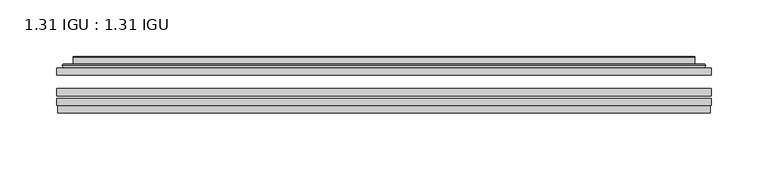
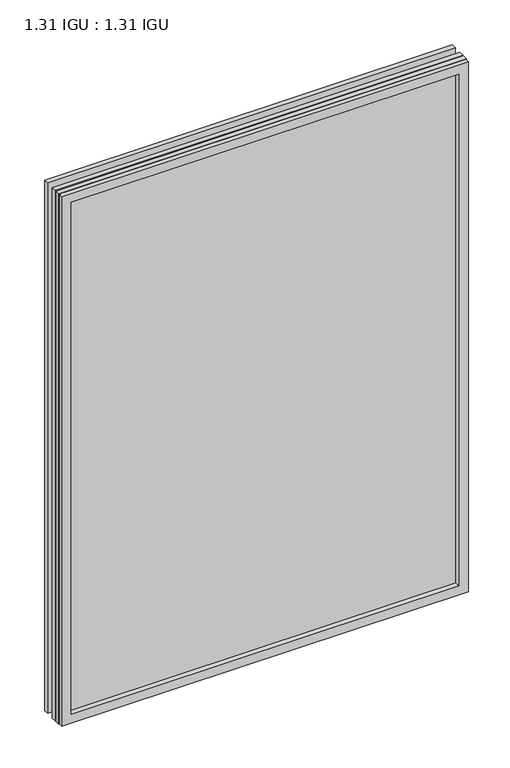
"""IFC4 building model written with IfcOpenShell, lengths in millimetres: plate geometry, 1.31 IGU : 1.31 IGU."""

from ifc_helpers import new_model, si_unit, frame, origin, place, context, project, spatial, polyline, ellipse_curve, outline, extrude, faceted_brep, source, transform, mapped, element, save
from ifc_brep_helpers import plane_surface, cylinder_surface, advanced_brep


def plate_1_31_igu_1_31_igu_ef33cbdf(model_context):
    return source(origin(), model_context, "Body", "SolidModel", [
        extrude(outline(polyline([(287.351675, -63.59525), (287.351675, -69.94525), (-287.3375, -69.94525), (-287.3375, -63.59525), (287.351675, -63.59525)])), frame((0.0, 0.0, -14.2875), z_axis=(0.0, 0.0, 1.0), x_axis=(1.0, 0.0, 0.0)), (0.0, 0.0, 1.0), 790.6015278),
        extrude(outline(polyline([(-287.3375, -78.58125), (-287.3375, -72.230745), (287.351675, -72.230745), (287.351675, -78.58125), (-287.3375, -78.58125)])), frame((0.0, 0.0, -14.2875), z_axis=(0.0, 0.0, 1.0), x_axis=(1.0, 0.0, 0.0)), (0.0, 0.0, 1.0), 790.6015278),
        extrude(outline(polyline([(287.351675, -45.25645), (287.351675, -51.60645), (-287.3375, -51.60645), (-287.3375, -45.25645), (287.351675, -45.25645)])), frame((0.0, 0.0, -14.2875), z_axis=(0.0, 0.0, 1.0), x_axis=(1.0, 0.0, 0.0)), (0.0, 0.0, 1.0), 790.6015278),
        faceted_brep([(-286.6373142, -84.93125, 775.6100441), (-286.6373142, -78.58125, 775.6100441), (-286.6373142, -78.58125, -13.5873142), (-286.6373142, -84.93125, -13.5873142), (286.6373142, -78.58125, -13.5873142), (286.6373142, -84.93125, -13.5873142), (286.6373142, -78.58125, 775.6100441), (286.6373142, -84.93125, 775.6100441), (-272.1522559, -78.58125, 0.8977441), (272.1522559, -78.58125, 0.8977441), (272.1522559, -78.58125, 761.1249858), (-272.1522559, -78.58125, 761.1249858), (-273.0446902, -84.93125, 762.0174201), (273.0446902, -84.93125, 762.0174201), (273.0446902, -84.93125, 0.0053098), (-273.0446902, -84.93125, 0.0053098)], [[[0, 1, 2, 3]], [[3, 2, 4, 5]], [[5, 4, 6, 7]], [[1, 6, 4, 2], [8, 9, 10, 11]], [[7, 6, 1, 0]], [[3, 5, 7, 0], [12, 13, 14, 15]], [[11, 12, 15, 8]], [[8, 15, 14, 9]], [[9, 14, 13, 10]], [[10, 13, 12, 11]]]),
        advanced_brep(
        [(-280.096219, -45.25645, 769.0689489), (-282.4504244, -43.2667833, 771.4231543), (-282.4504244, -43.2667833, -9.4004244), (-280.096219, -45.25645, -7.046219), (-271.0218939, -41.416413, 759.9946238), (-266.0870621, -45.25645, 755.0597919), (-266.0870621, -45.25645, 6.9629379), (-271.0218939, -41.416413, 2.0281061), (-272.0539217, -36.0191819, 761.0266515), (-272.0539217, -36.0191819, 0.9960783), (-273.0445784, -35.6202069, 762.0173083), (-273.0445784, -35.6202069, 0.0054216), (-273.0445784, -42.08145, 762.0173083), (-273.0445784, -42.08145, 0.0054216), (-281.4486349, -42.08145, 770.4213648), (-281.4486349, -42.08145, -8.3986349), (282.4504244, -43.2667833, -9.4004244), (280.096219, -45.25645, -7.046219), (266.0870621, -45.25645, 6.9629379), (271.0218939, -41.416413, 2.0281061), (272.0539217, -36.0191819, 0.9960783), (273.0445784, -35.6202069, 0.0054216), (273.0445784, -42.08145, 0.0054216), (281.4486349, -42.08145, -8.3986349), (282.4504244, -43.2667833, 771.4231543), (280.096219, -45.25645, 769.0689489), (266.0870621, -45.25645, 755.0597919), (271.0218939, -41.416413, 759.9946238), (272.0539217, -36.0191819, 761.0266515), (273.0445784, -35.6202069, 762.0173083), (273.0445784, -42.08145, 762.0173083), (281.4486349, -42.08145, 770.4213648)],
        [
            (0, 1, ellipse_curve(frame((-280.096219, -42.86885, 769.0689489), z_axis=(-0.7071067811865475, 0.0, -0.7071067811865475), x_axis=(-0.7071067811865474, 0.0, 0.7071067811865476)), 3.3765763, 2.3876)),
            (1, 2),
            (2, 3, ellipse_curve(frame((-280.096219, -42.86885, -7.046219), z_axis=(-0.7071067811865475, 0.0, 0.7071067811865475), x_axis=(0.7071067811865474, 0.0, 0.7071067811865476)), 3.3765763, 2.3876)),
            (3, 0),
            (4, 5),
            (5, 6),
            (6, 7),
            (7, 4),
            (8, 4),
            (7, 9),
            (9, 8),
            (10, 8, ellipse_curve(frame((-272.6776219, -36.1384423, 761.6503517), z_axis=(-0.7071067811865475, 0.0, -0.7071067811865475), x_axis=(-0.7071067811865474, 0.0, 0.7071067811865476)), 0.8980256, 0.635)),
            (9, 11, ellipse_curve(frame((-272.6776219, -36.1384423, 0.3723781), z_axis=(-0.7071067811865475, 0.0, 0.7071067811865475), x_axis=(0.7071067811865474, 0.0, 0.7071067811865476)), 0.8980256, 0.635)),
            (11, 10),
            (12, 10),
            (11, 13),
            (13, 12),
            (1, 14, ellipse_curve(frame((-281.4486349, -43.09745, 770.4213648), z_axis=(-0.7071067811865475, 0.0, -0.7071067811865475), x_axis=(-0.7071067811865474, 0.0, 0.7071067811865476)), 1.436841, 1.016)),
            (14, 15),
            (15, 2, ellipse_curve(frame((-281.4486349, -43.09745, -8.3986349), z_axis=(-0.7071067811865475, 0.0, 0.7071067811865475), x_axis=(0.7071067811865474, 0.0, 0.7071067811865476)), 1.436841, 1.016)),
            (2, 16),
            (16, 17, ellipse_curve(frame((280.096219, -42.86885, -7.046219), z_axis=(-0.7071067811865475, 0.0, -0.7071067811865475), x_axis=(-0.7071067811865476, 0.0, 0.7071067811865474)), 3.3765763, 2.3876)),
            (17, 3),
            (6, 18),
            (18, 19),
            (19, 7),
            (19, 20),
            (20, 9),
            (20, 21, ellipse_curve(frame((272.6776219, -36.1384423, 0.3723781), z_axis=(-0.7071067811865475, 0.0, -0.7071067811865475), x_axis=(-0.7071067811865476, 0.0, 0.7071067811865474)), 0.8980256, 0.635)),
            (21, 11),
            (21, 22),
            (22, 13),
            (15, 23),
            (23, 16, ellipse_curve(frame((281.4486349, -43.09745, -8.3986349), z_axis=(-0.7071067811865475, 0.0, -0.7071067811865475), x_axis=(-0.7071067811865476, 0.0, 0.7071067811865474)), 1.436841, 1.016)),
            (16, 24),
            (24, 25, ellipse_curve(frame((280.096219, -42.86885, 769.0689489), z_axis=(0.7071067811865475, 0.0, -0.7071067811865475), x_axis=(-0.7071067811865474, 0.0, -0.7071067811865476)), 3.3765763, 2.3876)),
            (25, 17),
            (18, 26),
            (26, 27),
            (27, 19),
            (27, 28),
            (28, 20),
            (28, 29, ellipse_curve(frame((272.6776219, -36.1384423, 761.6503517), z_axis=(0.7071067811865475, 0.0, -0.7071067811865475), x_axis=(-0.7071067811865474, 0.0, -0.7071067811865476)), 0.8980256, 0.635)),
            (29, 21),
            (29, 30),
            (30, 22),
            (23, 31),
            (31, 24, ellipse_curve(frame((281.4486349, -43.09745, 770.4213648), z_axis=(0.7071067811865475, 0.0, -0.7071067811865475), x_axis=(-0.7071067811865474, 0.0, -0.7071067811865476)), 1.436841, 1.016)),
            (24, 1),
            (0, 25),
            (5, 26),
            (4, 27),
            (8, 28),
            (10, 29),
            (12, 30),
            (14, 31),
        ],
        [
            cylinder_surface(frame((-280.096219, -42.86885, 793.7727299), z_axis=(0.0, 0.0, 1.0), x_axis=(-1.0, 0.0, 0.0)), 2.3876),
            plane_surface(frame((-266.0870621, -45.25645, 755.0597919), z_axis=(0.6141233906514794, 0.7892100234124821, 0.0), x_axis=(0.0, 0.0, -1.0))),
            plane_surface(frame((-271.0218939, -41.416413, 759.9946238), z_axis=(0.9822050625507729, 0.18781164793386076, 0.0), x_axis=(0.0, 0.0, -1.0))),
            cylinder_surface(frame((-272.6776219, -36.1384423, 793.7727299), z_axis=(0.0, 0.0, 1.0), x_axis=(-1.0, 0.0, 0.0)), 0.635),
            plane_surface(frame((-273.0445784, -35.6202069, 762.0173083), z_axis=(-1.0, 0.0, 0.0), x_axis=(0.0, 0.0, -1.0))),
            cylinder_surface(frame((-281.4486349, -43.09745, 793.7727299), z_axis=(0.0, 0.0, 1.0), x_axis=(-1.0, 0.0, 0.0)), 1.016),
            cylinder_surface(frame((-304.8, -42.86885, -7.046219), z_axis=(-1.0, 0.0, 0.0), x_axis=(0.0, 0.0, -1.0)), 2.3876),
            plane_surface(frame((-266.0870621, -45.25645, 6.9629379), z_axis=(0.0, 0.7892100234124841, 0.6141233906514768), x_axis=(1.0, 0.0, 0.0))),
            plane_surface(frame((-271.0218939, -41.416413, 2.0281061), z_axis=(0.0, 0.18781164793386393, 0.9822050625507723), x_axis=(1.0, 0.0, 0.0))),
            cylinder_surface(frame((-304.8, -36.1384423, 0.3723781), z_axis=(-1.0, 0.0, 0.0), x_axis=(0.0, 0.0, -1.0)), 0.635),
            plane_surface(frame((-273.0445784, -35.6202069, 0.0054216), z_axis=(0.0, 0.0, -1.0), x_axis=(1.0, 0.0, 0.0))),
            cylinder_surface(frame((-304.8, -43.09745, -8.3986349), z_axis=(-1.0, 0.0, 0.0), x_axis=(0.0, 0.0, -1.0)), 1.016),
            cylinder_surface(frame((280.096219, -42.86885, -31.75), z_axis=(0.0, 0.0, -1.0), x_axis=(1.0, 0.0, 0.0)), 2.3876),
            plane_surface(frame((266.0870621, -45.25645, 6.9629379), z_axis=(-0.6141233906514743, 0.7892100234124861, 0.0), x_axis=(0.0, 0.0, 1.0))),
            plane_surface(frame((271.0218939, -41.416413, 2.0281061), z_axis=(-0.9822050625507718, 0.1878116479338671, 0.0), x_axis=(0.0, 0.0, 1.0))),
            cylinder_surface(frame((272.6776219, -36.1384423, -31.75), z_axis=(0.0, 0.0, -1.0), x_axis=(1.0, 0.0, 0.0)), 0.635),
            plane_surface(frame((273.0445784, -35.6202069, 0.0054216), z_axis=(1.0, 0.0, 0.0), x_axis=(0.0, 0.0, 1.0))),
            cylinder_surface(frame((281.4486349, -43.09745, -31.75), z_axis=(0.0, 0.0, -1.0), x_axis=(1.0, 0.0, 0.0)), 1.016),
            cylinder_surface(frame((304.8, -42.86885, 769.0689489), z_axis=(1.0, 0.0, 0.0), x_axis=(0.0, 0.0, 1.0)), 2.3876),
            plane_surface(frame((280.096219, -45.25645, 769.0689489), z_axis=(0.0, -1.0, 0.0), x_axis=(-1.0, 0.0, 0.0))),
            plane_surface(frame((266.0870621, -45.25645, 755.0597919), z_axis=(0.0, 0.7892100234124841, -0.6141233906514768), x_axis=(-1.0, 0.0, 0.0))),
            plane_surface(frame((271.0218939, -41.416413, 759.9946238), z_axis=(0.0, 0.18781164793386393, -0.9822050625507723), x_axis=(-1.0, 0.0, 0.0))),
            cylinder_surface(frame((304.8, -36.1384423, 761.6503517), z_axis=(1.0, 0.0, 0.0), x_axis=(0.0, 0.0, 1.0)), 0.635),
            plane_surface(frame((273.0445784, -35.6202069, 762.0173083), z_axis=(0.0, 0.0, 1.0), x_axis=(-1.0, 0.0, 0.0))),
            plane_surface(frame((273.0445784, -42.08145, 762.0173083), z_axis=(0.0, 1.0, 0.0), x_axis=(-1.0, 0.0, 0.0))),
            cylinder_surface(frame((304.8, -43.09745, 770.4213648), z_axis=(1.0, 0.0, 0.0), x_axis=(0.0, 0.0, 1.0)), 1.016),
        ],
        [
            (0, [[1, 2, 3, 4]]),
            (1, [[5, 6, 7, 8]]),
            (2, [[9, -8, 10, 11]]),
            (3, [[12, -11, 13, 14]]),
            (4, [[15, -14, 16, 17]]),
            (5, [[18, 19, 20, -2]]),
            (6, [[-3, 21, 22, 23]]),
            (7, [[-7, 24, 25, 26]]),
            (8, [[-10, -26, 27, 28]]),
            (9, [[-13, -28, 29, 30]]),
            (10, [[-16, -30, 31, 32]]),
            (11, [[-20, 33, 34, -21]]),
            (12, [[-22, 35, 36, 37]]),
            (13, [[-25, 38, 39, 40]]),
            (14, [[-27, -40, 41, 42]]),
            (15, [[-29, -42, 43, 44]]),
            (16, [[-31, -44, 45, 46]]),
            (17, [[-34, 47, 48, -35]]),
            (18, [[-36, 49, -1, 50]]),
            (19, [[-23, -37, -50, -4], [51, -38, -24, -6]]),
            (20, [[-39, -51, -5, 52]]),
            (21, [[-41, -52, -9, 53]]),
            (22, [[-43, -53, -12, 54]]),
            (23, [[-45, -54, -15, 55]]),
            (24, [[56, -47, -33, -19], [-32, -46, -55, -17]]),
            (25, [[-48, -56, -18, -49]]),
        ],
    ),
    ])


if __name__ == "__main__":
    model = new_model("IFC4")
    model_context = context("Model", 3, world=origin())
    ifc_project = project(units=[si_unit("LENGTHUNIT", "METRE", prefix="MILLI")], contexts=[model_context])
    site = spatial("IfcSite", under=ifc_project)
    building = spatial("IfcBuilding", under=site)
    placement = place(None, origin())
    plate_1_31_igu_1_31_igu_shape = plate_1_31_igu_1_31_igu_ef33cbdf(model_context)
    element("IfcPlate", 1, ObjectType="1.31 IGU : 1.31 IGU", at=placement, inside=building, context=model_context, shape_type="MappedRepresentation", body=[
        mapped(plate_1_31_igu_1_31_igu_shape, transform((0.0, 0.0, 0.0), x_axis=(1.0, 0.0, 0.0), y_axis=(0.0, 1.0, 0.0), z_axis=(0.0, 0.0, 1.0))),
    ])
    save(model, "model.ifc")
